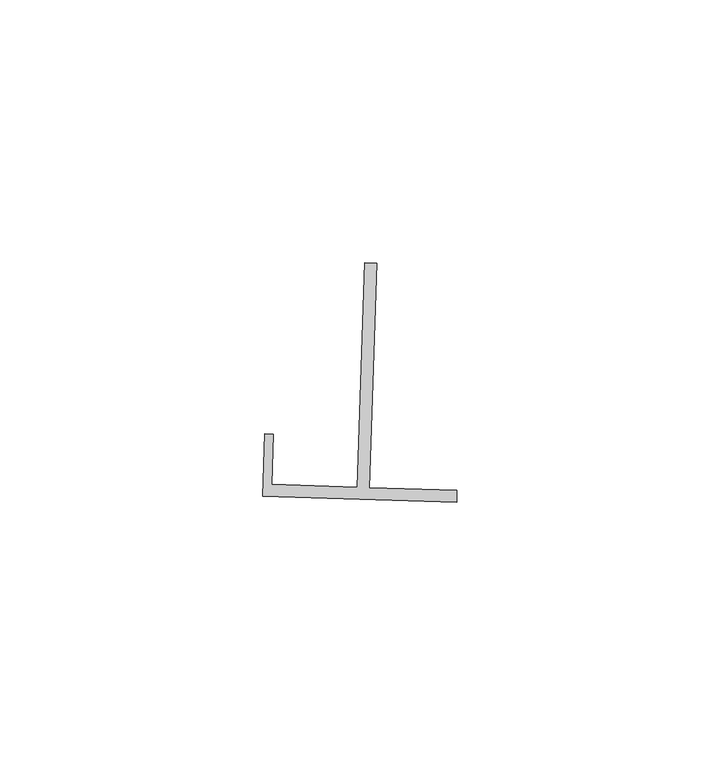
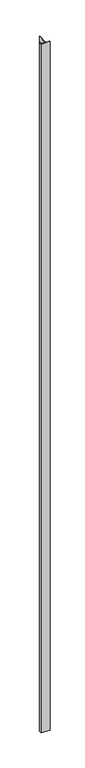
"""IFC4 building model written with IfcOpenShell, lengths in millimetres: proxy geometry."""

from ifc_helpers import new_model, si_unit, frame, origin, place, context, project, spatial, polyline, outline, extrude, source, transform, mapped, element, save


def generic_models_5847d52d(model_context):
    return source(origin(), model_context, "Body", "SweptSolid", [
        extrude(outline(polyline([(17415.3973724, -14673.9971054), (17416.818281, -14631.3266124), (17419.1043008, -14631.402736), (17417.6833922, -14674.0732286), (17434.3515503, -14674.628271), (17434.27543, -14676.9141937), (17397.4150356, -14675.6867589), (17397.8081288, -14663.8761676), (17399.4083621, -14663.9294547), (17399.0911951, -14673.4541167), (17415.3973724, -14673.9971054)])), frame((0.0, 0.0, 73.975708), z_axis=(0.0, 0.0, 1.0), x_axis=(1.0, 0.0, 0.0)), (0.0, 0.0, 1.0), 2959.11),
    ])


if __name__ == "__main__":
    model = new_model("IFC4")
    model_context = context("Model", 3, world=origin())
    ifc_project = project(units=[si_unit("LENGTHUNIT", "METRE", prefix="MILLI")], contexts=[model_context])
    site = spatial("IfcSite", under=ifc_project)
    building = spatial("IfcBuilding", under=site)
    placement = place(None, origin())
    generic_models_shape = generic_models_5847d52d(model_context)
    element("IfcBuildingElementProxy", 1, Name="Generic Models", at=placement, inside=building, context=model_context, shape_type="MappedRepresentation", body=[
        mapped(generic_models_shape, transform((0.0, 0.0, 0.0), x_axis=(1.0, 0.0, 0.0), y_axis=(0.0, 1.0, 0.0), z_axis=(0.0, 0.0, 1.0))),
    ])
    save(model, "model.ifc")
